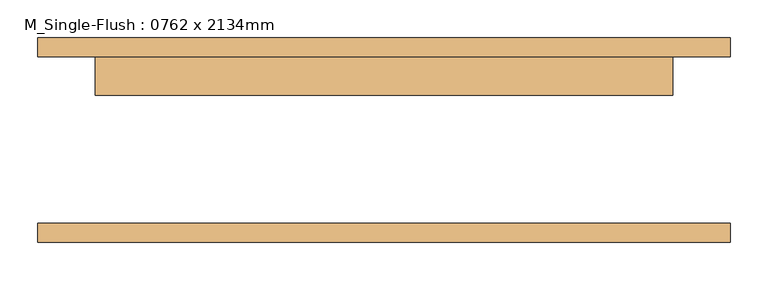
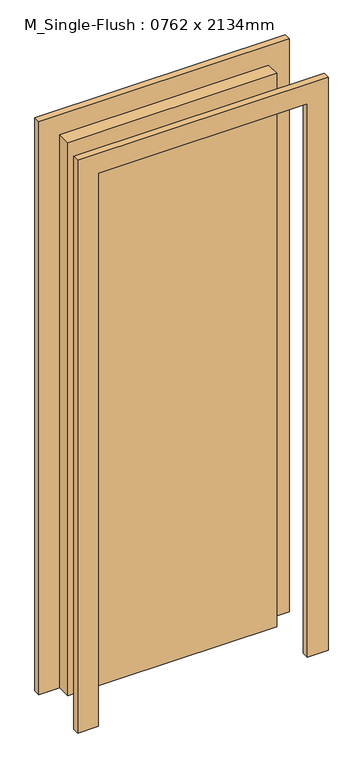
"""IFC4 building model written with IfcOpenShell, lengths in millimetres: door geometry, M_Single-Flush : 0762 x 2134mm."""

from ifc_helpers import new_model, si_unit, frame, origin, origin_with_axes, place, context, project, spatial, polyline, outline, extrude, source, transform, mapped, element, save


def m_single_flush_0762_x_2134mm_9a889543(model_context):
    return source(origin(), model_context, "Body", "SweptSolid", [
        extrude(outline(polyline([(2210.0, -457.0), (0.0, -457.0), (0.0, -381.0), (2134.0, -381.0), (2134.0, 381.0), (0.0, 381.0), (0.0, 457.0), (2210.0, 457.0), (2210.0, -457.0)])), frame((0.0, 110.0, 0.0), z_axis=(0.0, 1.0, 0.0), x_axis=(0.0, 0.0, 1.0)), (0.0, 0.0, 1.0), 25.0),
        extrude(outline(polyline([(2210.0, 457.0), (2210.0, -457.0), (0.0, -457.0), (0.0, -381.0), (2134.0, -381.0), (2134.0, 381.0), (0.0, 381.0), (0.0, 457.0), (2210.0, 457.0)])), frame((0.0, -135.0, 0.0), z_axis=(0.0, 1.0, 0.0), x_axis=(0.0, 0.0, 1.0)), (0.0, 0.0, 1.0), 25.0),
        extrude(outline(polyline([(381.0, 59.0), (-381.0, 59.0), (-381.0, 110.0), (381.0, 110.0), (381.0, 59.0)])), origin_with_axes(), (0.0, 0.0, 1.0), 2134.0),
    ])


if __name__ == "__main__":
    model = new_model("IFC4")
    model_context = context("Model", 3, world=origin())
    ifc_project = project(units=[si_unit("LENGTHUNIT", "METRE", prefix="MILLI")], contexts=[model_context])
    site = spatial("IfcSite", under=ifc_project)
    building = spatial("IfcBuilding", under=site)
    placement = place(None, origin())
    m_single_flush_0762_x_2134mm_shape = m_single_flush_0762_x_2134mm_9a889543(model_context)
    element("IfcDoor", 1, ObjectType="M_Single-Flush : 0762 x 2134mm", at=placement, inside=building, context=model_context, shape_type="MappedRepresentation", body=[
        mapped(m_single_flush_0762_x_2134mm_shape, transform((0.0, 0.0, 0.0), x_axis=(1.0, 0.0, 0.0), y_axis=(0.0, 1.0, 0.0), z_axis=(0.0, 0.0, 1.0))),
    ])
    save(model, "model.ifc")
